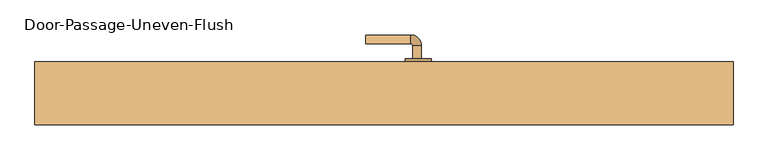
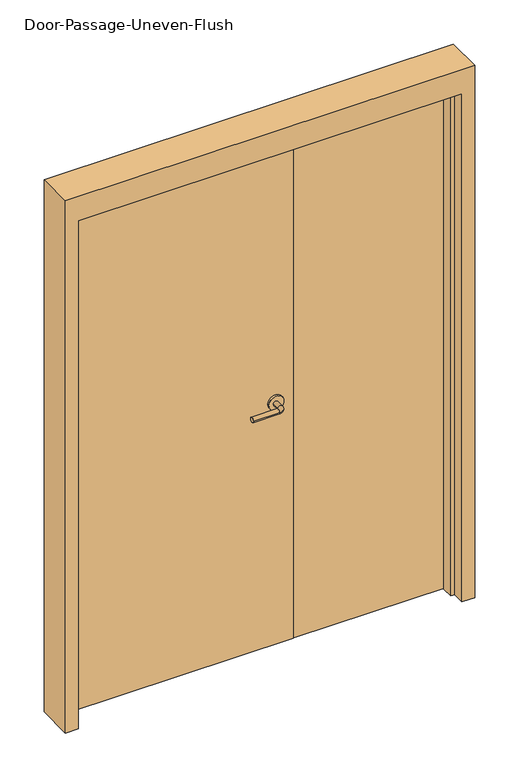
"""IFC4 building model written with IfcOpenShell, lengths in millimetres: door geometry, Door-Passage-Uneven-Flush."""

from ifc_helpers import new_model, si_unit, point, frame, frame_2d, origin, origin_with_axes, place, context, project, spatial, polyline, circle_curve, ellipse_curve, trimmed, segment, composite_curve, outline, extrude, faceted_brep, source, transform, mapped, element, save
from ifc_brep_helpers import plane_surface, cylinder_surface, revolved_surface, advanced_brep


def door_passage_uneven_flush_9e8e031f(model_context):
    return source(origin(), model_context, "Body", "SolidModel", [
        advanced_brep(
        [(86.99375, 55.5, 1016.0), (66.99375, 55.5, 1016.0), (86.99375, 25.5, 1016.0), (66.99375, 25.5, 1016.0), (61.99375, 20.5, 1016.0), (61.99375, 0.5, 1016.0), (-43.00625, 0.5, 1016.0), (-43.00625, 20.5, 1016.0)],
        [
            (0, 1, circle_curve(frame((76.99375, 55.5, 1016.0), z_axis=(0.0, 1.0, 0.0), x_axis=(-1.0, 0.0, 0.0)), 10.0)),
            (1, 0, circle_curve(frame((76.99375, 55.5, 1016.0), z_axis=(0.0, 1.0, 0.0), x_axis=(-1.0, 0.0, 0.0)), 10.0)),
            (0, 2),
            (2, 3, circle_curve(frame((76.99375, 25.5, 1016.0), z_axis=(0.0, 1.0, 0.0), x_axis=(-1.0, 0.0, 0.0)), 10.0)),
            (3, 1),
            (3, 2, circle_curve(frame((76.99375, 25.5, 1016.0), z_axis=(0.0, 1.0, 0.0), x_axis=(-1.0, 0.0, 0.0)), 10.0)),
            (4, 3, circle_curve(frame((61.99375, 25.5, 1016.0), z_axis=(0.0, 0.0, 1.0), x_axis=(1.0, 0.0, 0.0)), 5.0)),
            (2, 5, circle_curve(frame((61.99375, 25.5, 1016.0), z_axis=(0.0, 0.0, -1.0), x_axis=(1.0, 0.0, 0.0)), 25.0)),
            (5, 4, circle_curve(frame((61.99375, 10.5, 1016.0), z_axis=(1.0, 0.0, 0.0), x_axis=(0.0, 1.0, 0.0)), 10.0)),
            (4, 5, circle_curve(frame((61.99375, 10.5, 1016.0), z_axis=(1.0, 0.0, 0.0), x_axis=(0.0, 1.0, 0.0)), 10.0)),
            (6, 7, circle_curve(frame((-43.00625, 10.5, 1016.0), z_axis=(-1.0, 0.0, 0.0), x_axis=(0.0, 1.0, 0.0)), 10.0)),
            (7, 6, circle_curve(frame((-43.00625, 10.5, 1016.0), z_axis=(-1.0, 0.0, 0.0), x_axis=(0.0, 1.0, 0.0)), 10.0)),
            (5, 6),
            (7, 4),
        ],
        [
            plane_surface(frame((76.99375, 55.5, 1016.0), z_axis=(0.0, 1.0, 0.0), x_axis=(0.0, 0.0, 1.0))),
            cylinder_surface(frame((76.99375, 55.5, 1016.0), z_axis=(0.0, 1.0, 0.0), x_axis=(-1.0, 0.0, 0.0)), 10.0),
            revolved_surface(trimmed(ellipse_curve(frame((76.99375, 25.5, 1016.0), z_axis=(0.0, 1.0, 0.0), x_axis=(-1.0, 0.0, 0.0)), 10.0, 10.0), [point((86.99375, 25.5, 1016.0))], [point((66.99375, 25.5, 1016.0))], True, "CARTESIAN"), (61.99375, 25.5, 1016.0), (0.0, 0.0, -1.0)),
            revolved_surface(trimmed(ellipse_curve(frame((76.99375, 25.5, 1016.0), z_axis=(0.0, 1.0, 0.0), x_axis=(-1.0, 0.0, 0.0)), 10.0, 10.0), [point((66.99375, 25.5, 1016.0))], [point((86.99375, 25.5, 1016.0))], True, "CARTESIAN"), (61.99375, 25.5, 1016.0), (0.0, 0.0, -1.0)),
            plane_surface(frame((-43.00625, 10.5, 1016.0), z_axis=(-1.0, 0.0, 0.0), x_axis=(0.0, 0.0, 1.0))),
            cylinder_surface(frame((61.99375, 10.5, 1016.0), z_axis=(1.0, 0.0, 0.0), x_axis=(0.0, 1.0, 0.0)), 10.0),
        ],
        [
            (0, [[1, 2]]),
            (1, [[-1, 3, 4, 5]]),
            (1, [[-2, -5, 6, -3]]),
            (2, [[7, -4, 8, 9]]),
            (3, [[-8, -6, -7, 10]]),
            (4, [[11, 12]]),
            (5, [[-9, 13, -12, 14]]),
            (5, [[-10, -14, -11, -13]]),
        ],
    ),
        extrude(outline(composite_curve([segment(trimmed(circle_curve(frame_2d((1016.0, 79.49375)), 30.0), [point((1016.0, 109.49375))], [point((1016.0, 49.49375))], False, "CARTESIAN"), True, "CONTINUOUS"), segment(trimmed(circle_curve(frame_2d((1016.0, 79.49375)), 30.0), [point((1016.0, 49.49375))], [point((1016.0, 109.49375))], False, "CARTESIAN"), True, "CONTINUOUS")], self_intersect=False)), frame((0.0, 55.5, 0.0), z_axis=(0.0, 1.0, 0.0), x_axis=(0.0, 0.0, 1.0)), (0.0, 0.0, 1.0), 8.0),
        advanced_brep(
        [(86.99375, 115.95, 1016.0), (66.99375, 115.95, 1016.0), (66.99375, 145.95, 1016.0), (86.99375, 145.95, 1016.0), (61.99375, 150.95, 1016.0), (61.99375, 170.95, 1016.0), (-43.00625, 170.95, 1016.0), (-43.00625, 150.95, 1016.0)],
        [
            (0, 1, circle_curve(frame((76.99375, 115.95, 1016.0), z_axis=(0.0, -1.0, 0.0), x_axis=(-1.0, 0.0, 0.0)), 10.0)),
            (1, 0, circle_curve(frame((76.99375, 115.95, 1016.0), z_axis=(0.0, -1.0, 0.0), x_axis=(-1.0, 0.0, 0.0)), 10.0)),
            (1, 2),
            (2, 3, circle_curve(frame((76.99375, 145.95, 1016.0), z_axis=(0.0, -1.0, 0.0), x_axis=(-1.0, 0.0, 0.0)), 10.0)),
            (3, 0),
            (3, 2, circle_curve(frame((76.99375, 145.95, 1016.0), z_axis=(0.0, -1.0, 0.0), x_axis=(-1.0, 0.0, 0.0)), 10.0)),
            (4, 5, circle_curve(frame((61.99375, 160.95, 1016.0), z_axis=(1.0, 0.0, 0.0), x_axis=(0.0, -1.0, 0.0)), 10.0)),
            (5, 3, circle_curve(frame((61.99375, 145.95, 1016.0), z_axis=(0.0, 0.0, -1.0), x_axis=(1.0, 0.0, 0.0)), 25.0)),
            (2, 4, circle_curve(frame((61.99375, 145.95, 1016.0), z_axis=(0.0, 0.0, 1.0), x_axis=(1.0, 0.0, 0.0)), 5.0)),
            (5, 4, circle_curve(frame((61.99375, 160.95, 1016.0), z_axis=(1.0, 0.0, 0.0), x_axis=(0.0, -1.0, 0.0)), 10.0)),
            (6, 7, circle_curve(frame((-43.00625, 160.95, 1016.0), z_axis=(-1.0, 0.0, 0.0), x_axis=(0.0, -1.0, 0.0)), 10.0)),
            (7, 6, circle_curve(frame((-43.00625, 160.95, 1016.0), z_axis=(-1.0, 0.0, 0.0), x_axis=(0.0, -1.0, 0.0)), 10.0)),
            (4, 7),
            (6, 5),
        ],
        [
            plane_surface(frame((76.99375, 115.95, 1016.0), z_axis=(0.0, -1.0, 0.0), x_axis=(0.0, 0.0, 1.0))),
            cylinder_surface(frame((76.99375, 115.95, 1016.0), z_axis=(0.0, -1.0, 0.0), x_axis=(-1.0, 0.0, 0.0)), 10.0),
            revolved_surface(trimmed(ellipse_curve(frame((76.99375, 145.95, 1016.0), z_axis=(0.0, 1.0, 0.0), x_axis=(-1.0, 0.0, 0.0)), 10.0, 10.0), [point((86.99375, 145.95, 1016.0))], [point((66.99375, 145.95, 1016.0))], True, "CARTESIAN"), (61.99375, 145.95, 1016.0), (0.0, 0.0, -1.0)),
            revolved_surface(trimmed(ellipse_curve(frame((76.99375, 145.95, 1016.0), z_axis=(0.0, 1.0, 0.0), x_axis=(-1.0, 0.0, 0.0)), 10.0, 10.0), [point((66.99375, 145.95, 1016.0))], [point((86.99375, 145.95, 1016.0))], True, "CARTESIAN"), (61.99375, 145.95, 1016.0), (0.0, 0.0, -1.0)),
            plane_surface(frame((-43.00625, 160.95, 1016.0), z_axis=(-1.0, 0.0, 0.0), x_axis=(0.0, 0.0, 1.0))),
            cylinder_surface(frame((61.99375, 160.95, 1016.0), z_axis=(1.0, 0.0, 0.0), x_axis=(0.0, -1.0, 0.0)), 10.0),
        ],
        [
            (0, [[1, 2]]),
            (1, [[3, 4, 5, -2]]),
            (1, [[-5, 6, -3, -1]]),
            (2, [[7, 8, -4, 9]]),
            (3, [[10, -9, -6, -8]]),
            (4, [[11, 12]]),
            (5, [[13, -11, 14, -7]]),
            (5, [[-14, -12, -13, -10]]),
        ],
    ),
        extrude(outline(composite_curve([segment(trimmed(circle_curve(frame_2d((1016.0, 79.49375)), 30.0), [point((1016.0, 109.49375))], [point((1016.0, 49.49375))], False, "CARTESIAN"), True, "CONTINUOUS"), segment(trimmed(circle_curve(frame_2d((1016.0, 79.49375)), 30.0), [point((1016.0, 49.49375))], [point((1016.0, 109.49375))], False, "CARTESIAN"), True, "CONTINUOUS")], self_intersect=False)), frame((0.0, 107.95, 0.0), z_axis=(0.0, 1.0, 0.0), x_axis=(0.0, 0.0, 1.0)), (0.0, 0.0, 1.0), 8.0),
        extrude(outline(polyline([(762.0, 63.5), (153.9875, 63.5), (153.9875, 107.95), (762.0, 107.95), (762.0, 63.5)])), origin_with_axes(), (0.0, 0.0, 1.0), 2133.6),
        faceted_brep([(762.0, 58.7375, 0.0), (762.0, 107.95, 0.0), (812.8, 107.95, 0.0), (812.8, -38.1, 0.0), (762.0, -38.1, 0.0), (762.0, 11.1125, 0.0), (746.125, 11.1125, 0.0), (746.125, 58.7375, 0.0), (762.0, 58.7375, 2133.6), (762.0, 107.95, 2133.6), (-762.0, 107.95, 2133.6), (-762.0, 107.95, 0.0), (-812.8, 107.95, 0.0), (-812.8, 107.95, 2235.2), (812.8, 107.95, 2235.2), (812.8, -38.1, 2235.2), (-812.8, -38.1, 2235.2), (-812.8, -38.1, 0.0), (-762.0, -38.1, 0.0), (-762.0, -38.1, 2133.6), (762.0, -38.1, 2133.6), (762.0, 11.1125, 2133.6), (-762.0, 11.1125, 2133.6), (-762.0, 11.1125, 0.0), (-746.125, 11.1125, 0.0), (-746.125, 11.1125, 2117.725), (746.125, 11.1125, 2117.725), (746.125, 58.7375, 2117.725), (-746.125, 58.7375, 2117.725), (-746.125, 58.7375, 0.0), (-762.0, 58.7375, 0.0), (-762.0, 58.7375, 2133.6)], [[[0, 1, 2, 3, 4, 5, 6, 7]], [[1, 0, 8, 9]], [[2, 1, 9, 10, 11, 12, 13, 14]], [[3, 2, 14, 15]], [[4, 3, 15, 16, 17, 18, 19, 20]], [[5, 4, 20, 21]], [[6, 5, 21, 22, 23, 24, 25, 26]], [[7, 6, 26, 27]], [[0, 7, 27, 28, 29, 30, 31, 8]], [[9, 8, 31, 10]], [[20, 19, 22, 21]], [[26, 25, 28, 27]], [[12, 11, 30, 29, 24, 23, 18, 17]], [[11, 10, 31, 30]], [[13, 12, 17, 16]], [[19, 18, 23, 22]], [[25, 24, 29, 28]], [[15, 14, 13, 16]]]),
        extrude(outline(polyline([(150.8125, 63.5), (-762.0, 63.5), (-762.0, 107.95), (150.8125, 107.95), (150.8125, 63.5)])), origin_with_axes(), (0.0, 0.0, 1.0), 2133.6),
    ])


if __name__ == "__main__":
    model = new_model("IFC4")
    model_context = context("Model", 3, world=origin())
    ifc_project = project(units=[si_unit("LENGTHUNIT", "METRE", prefix="MILLI")], contexts=[model_context])
    site = spatial("IfcSite", under=ifc_project)
    building = spatial("IfcBuilding", under=site)
    placement = place(None, origin())
    door_passage_uneven_flush_shape = door_passage_uneven_flush_9e8e031f(model_context)
    element("IfcDoor", 1, ObjectType="Door-Passage-Uneven-Flush", at=placement, inside=building, context=model_context, shape_type="MappedRepresentation", body=[
        mapped(door_passage_uneven_flush_shape, transform((0.0, 0.0, 0.0), x_axis=(1.0, 0.0, 0.0), y_axis=(0.0, 1.0, 0.0), z_axis=(0.0, 0.0, 1.0))),
    ])
    save(model, "model.ifc")
